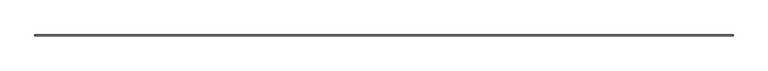
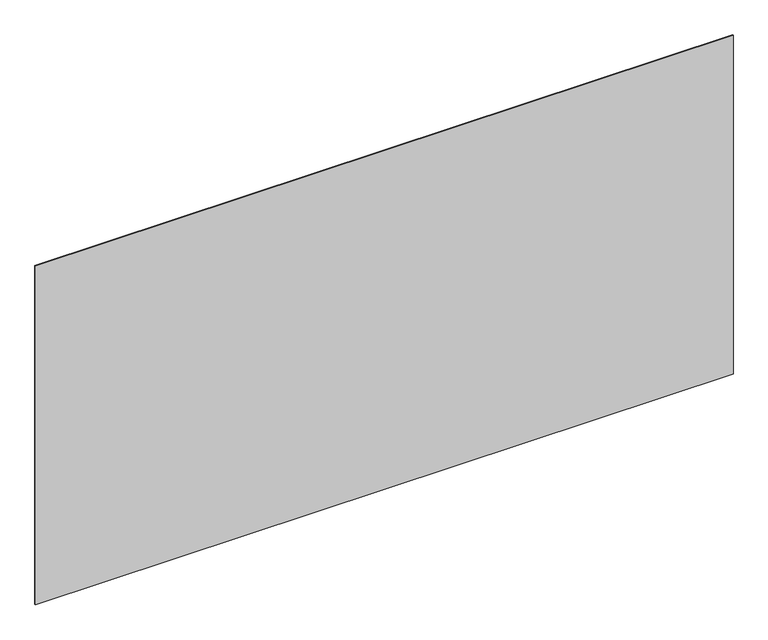
"""IFC4 building model written with IfcOpenShell, lengths in millimetres: furniture geometry."""

from ifc_helpers import new_model, si_unit, frame, origin, place, context, project, spatial, polyline, outline, extrude, source, transform, mapped, element, save


def furniture_08168ef1(model_context):
    return source(origin(), model_context, "Body", "SweptSolid", [
        extrude(outline(polyline([(882.1539126, 177.8), (882.1539126, 176.2125), (-304.8, 176.2125), (-304.8, 177.8), (882.1539126, 177.8)])), frame((0.0, 0.0, 1422.4), z_axis=(0.0, 0.0, 1.0), x_axis=(1.0, 0.0, 0.0)), (0.0, 0.0, 1.0), 609.6),
    ])


if __name__ == "__main__":
    model = new_model("IFC4")
    model_context = context("Model", 3, world=origin())
    ifc_project = project(units=[si_unit("LENGTHUNIT", "METRE", prefix="MILLI")], contexts=[model_context])
    site = spatial("IfcSite", under=ifc_project)
    building = spatial("IfcBuilding", under=site)
    placement = place(None, origin())
    furniture_shape = furniture_08168ef1(model_context)
    element("IfcFurniture", 1, at=placement, inside=building, context=model_context, shape_type="MappedRepresentation", body=[
        mapped(furniture_shape, transform((0.0, 0.0, 0.0), x_axis=(1.0, 0.0, 0.0), y_axis=(0.0, 1.0, 0.0), z_axis=(0.0, 0.0, 1.0))),
    ])
    save(model, "model.ifc")
